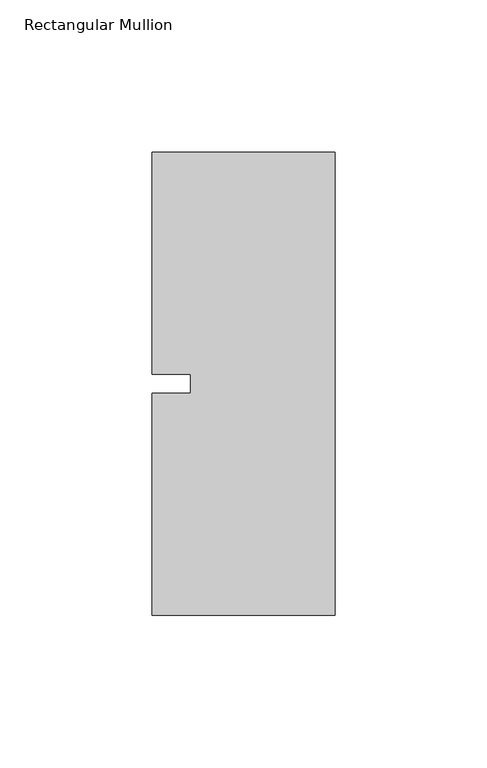
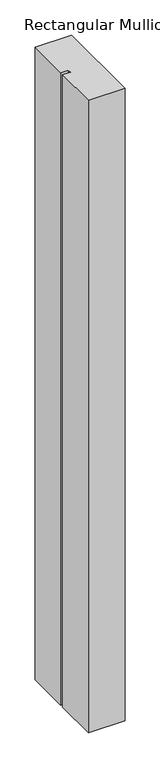
"""IFC4 building model written with IfcOpenShell, lengths in millimetres: member geometry, Rectangular Mullion."""

from ifc_helpers import new_model, si_unit, frame, origin, place, context, project, spatial, polyline, outline, extrude, source, transform, mapped, element, save


def rectangular_mullion_d5f5945c(model_context):
    return source(origin(), model_context, "Body", "SweptSolid", [
        extrude(outline(polyline([(-60.325, 76.2), (0.0, 76.2), (0.0, -76.2), (-60.325, -76.2), (-60.325, -3.175), (-47.625, -3.175), (-47.625, 3.175), (-60.325, 3.175), (-60.325, 76.2)])), frame((0.0, 0.0, -1099.7094027), z_axis=(0.0, 0.0, 1.0), x_axis=(1.0, 0.0, 0.0)), (0.0, 0.0, 1.0), 1099.7094027),
    ])


if __name__ == "__main__":
    model = new_model("IFC4")
    model_context = context("Model", 3, world=origin())
    ifc_project = project(units=[si_unit("LENGTHUNIT", "METRE", prefix="MILLI")], contexts=[model_context])
    site = spatial("IfcSite", under=ifc_project)
    building = spatial("IfcBuilding", under=site)
    placement = place(None, origin())
    rectangular_mullion_shape = rectangular_mullion_d5f5945c(model_context)
    element("IfcMember", 1, ObjectType="Rectangular Mullion", at=placement, inside=building, context=model_context, shape_type="MappedRepresentation", body=[
        mapped(rectangular_mullion_shape, transform((0.0, 0.0, 0.0), x_axis=(1.0, 0.0, 0.0), y_axis=(0.0, 1.0, 0.0), z_axis=(0.0, 0.0, 1.0))),
    ])
    save(model, "model.ifc")
